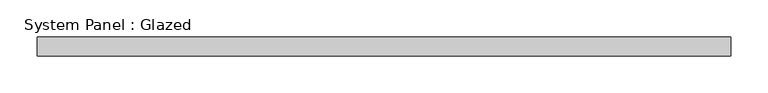
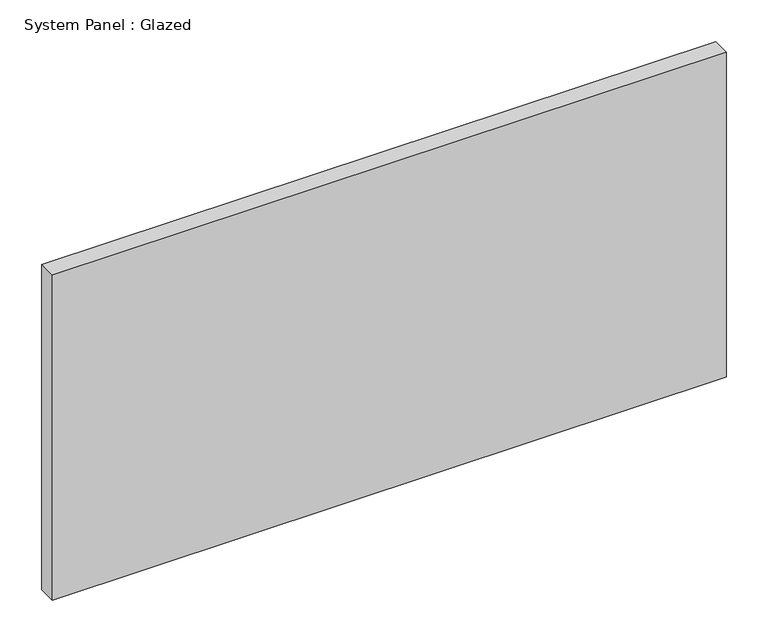
"""IFC4 building model written with IfcOpenShell, lengths in millimetres: plate geometry, System Panel : Glazed."""

from ifc_helpers import new_model, si_unit, origin, origin_with_axes, place, context, project, spatial, polyline, outline, extrude, source, transform, mapped, element, save


def system_panel_glazed_760b1a59(model_context):
    return source(origin(), model_context, "Body", "SweptSolid", [
        extrude(outline(polyline([(466.725, -12.7), (-466.725, -12.7), (-466.725, 12.7), (466.725, 12.7), (466.725, -12.7)])), origin_with_axes(), (0.0, 0.0, 1.0), 476.25),
    ])


if __name__ == "__main__":
    model = new_model("IFC4")
    model_context = context("Model", 3, world=origin())
    ifc_project = project(units=[si_unit("LENGTHUNIT", "METRE", prefix="MILLI")], contexts=[model_context])
    site = spatial("IfcSite", under=ifc_project)
    building = spatial("IfcBuilding", under=site)
    placement = place(None, origin())
    system_panel_glazed_shape = system_panel_glazed_760b1a59(model_context)
    element("IfcPlate", 1, ObjectType="System Panel : Glazed", at=placement, inside=building, context=model_context, shape_type="MappedRepresentation", body=[
        mapped(system_panel_glazed_shape, transform((0.0, 0.0, 0.0), x_axis=(1.0, 0.0, 0.0), y_axis=(0.0, 1.0, 0.0), z_axis=(0.0, 0.0, 1.0))),
    ])
    save(model, "model.ifc")
